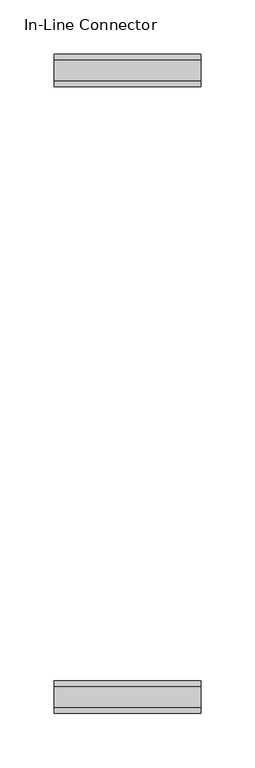
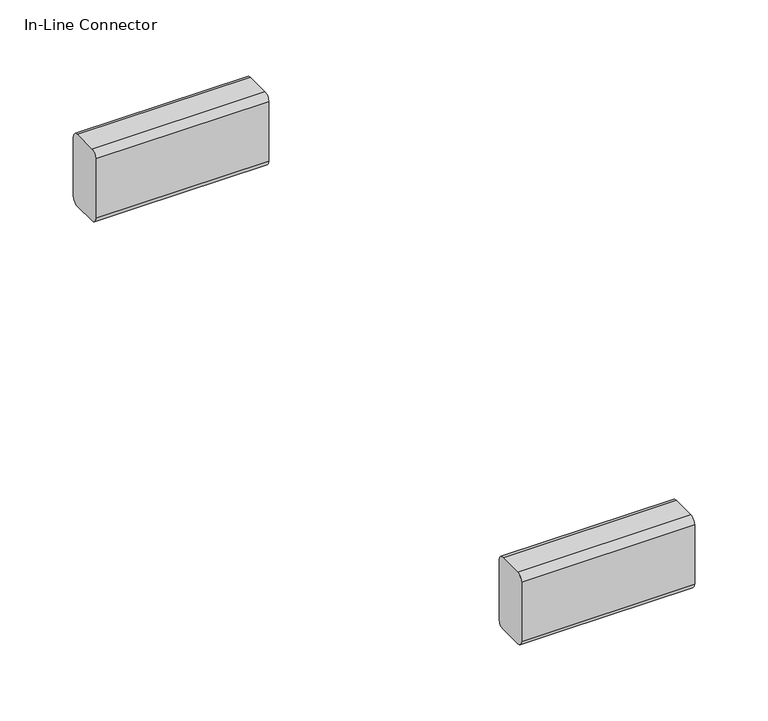
"""IFC4 building model written with IfcOpenShell, lengths in millimetres: furniture geometry, In-Line Connector."""

import ifcopenshell
import ifcopenshell.guid

model = None  # the IFC model being written
_history = None  # IfcOwnerHistory: only IFC2X3 demands one
_inside = {}  # id of a spatial element -> (the spatial element, [elements in it])
_under = {}  # id of a project, library or spatial element -> (it, [spatial elements below it])
_declared = {}  # id of a project -> (the project, [libraries it declares])
_typed = {}  # id of a type object -> (the type object, [elements of that type])
_made_of = {}  # id of a material, layer set ... -> (it, [elements and type objects made of it])


def new_model(schema):
    """Start an empty IFC model of exactly this schema.

    Asked for "IFC4X3", IfcOpenShell would pick the latest addendum, in which some entities
    have other attributes; the version numbers below select the first issue.
    IFC2X3 requires an IfcOwnerHistory on every rooted entity: one is made here for all.
    """
    global model, _history
    if schema == "IFC4X3":
        model = ifcopenshell.file(schema_version=(4, 3, 0, 0))
    else:
        model = ifcopenshell.file(schema=schema)
    _inside.clear()
    _under.clear()
    _declared.clear()
    _typed.clear()
    _made_of.clear()
    _history = None
    if model.schema == "IFC2X3":
        org = make("IfcOrganization", Name="unknown")
        user = make(
            "IfcPersonAndOrganization",
            ThePerson=make("IfcPerson", FamilyName="unknown"),
            TheOrganization=org,
        )
        app = make(
            "IfcApplication",
            ApplicationDeveloper=org,
            Version="unknown",
            ApplicationFullName="unknown",
            ApplicationIdentifier="unknown",
        )
        _history = make(
            "IfcOwnerHistory",
            OwningUser=user,
            OwningApplication=app,
            ChangeAction="ADDED",
            CreationDate=0,
        )
    return model


def make(cls, **values):
    """One entity of the class cls with the attributes given. An attribute that is None is left unset."""
    return model.create_entity(
        cls, **{name: value for name, value in values.items() if value is not None}
    )


def rooted(cls, **values):
    """An entity with a GlobalId (a new one), such as an element, a storey or a relation."""
    return make(cls, GlobalId=ifcopenshell.guid.new(), OwnerHistory=_history, **values)


def si_unit(unit_type, name, prefix=None):
    """IfcSIUnit, for example si_unit("LENGTHUNIT", "METRE", prefix="MILLI")."""
    return make("IfcSIUnit", UnitType=unit_type, Prefix=prefix, Name=name)


def assignment(units):
    """IfcUnitAssignment: the units of a project."""
    return None if units is None else make("IfcUnitAssignment", Units=units)


def point(xyz):
    """IfcCartesianPoint."""
    return None if xyz is None else make("IfcCartesianPoint", Coordinates=xyz)


def direction(xyz):
    """IfcDirection."""
    return None if xyz is None else make("IfcDirection", DirectionRatios=xyz)


def frame(location, z_axis=None, x_axis=None):
    """IfcAxis2Placement3D, a coordinate frame: its origin and axes. An axis left out is left unset."""
    return make(
        "IfcAxis2Placement3D",
        Location=point(location),
        Axis=direction(z_axis),
        RefDirection=direction(x_axis),
    )


def frame_2d(location, x_axis=None):
    """IfcAxis2Placement2D, a coordinate frame in the plane: its origin and x axis."""
    return make(
        "IfcAxis2Placement2D", Location=point(location), RefDirection=direction(x_axis)
    )


def origin():
    """The frame at (0, 0, 0) with its axes left unset."""
    return frame((0.0, 0.0, 0.0))


def place(relative_to, where):
    """IfcLocalPlacement: puts the frame where relative to a parent placement (None: the world)."""
    return make(
        "IfcLocalPlacement", PlacementRelTo=relative_to, RelativePlacement=where
    )


def context(
    kind, dimensions, precision=None, world=None, true_north=None, identifier=None
):
    """IfcGeometricRepresentationContext, for example the 3D "Model" context."""
    return make(
        "IfcGeometricRepresentationContext",
        ContextIdentifier=identifier,
        ContextType=kind,
        CoordinateSpaceDimension=dimensions,
        Precision=precision,
        WorldCoordinateSystem=world,
        TrueNorth=true_north,
    )


def project(units=None, contexts=None):
    """IfcProject with its units and contexts."""
    return rooted(
        "IfcProject",
        Name="project",
        RepresentationContexts=contexts,
        UnitsInContext=assignment(units),
    )


def spatial(cls, under=None, at=None, **own):
    """A site, building, storey or space (cls), placed at a placement, below another one or the project."""
    s = rooted(cls, ObjectPlacement=at, **own)
    if under is not None:
        _under.setdefault(under.id(), (under, []))[1].append(s)
    return s


def polyline(points):
    """IfcPolyline through the points."""
    return make("IfcPolyline", Points=[point(p) for p in points])


def circle_curve(where, radius):
    """IfcCircle in the frame where."""
    return make("IfcCircle", Position=where, Radius=radius)


def trimmed(basis, trim1, trim2, sense, master):
    """IfcTrimmedCurve: the piece of a basis curve between two trims."""
    return make(
        "IfcTrimmedCurve",
        BasisCurve=basis,
        Trim1=trim1,
        Trim2=trim2,
        SenseAgreement=sense,
        MasterRepresentation=master,
    )


def segment(curve, same_sense, transition):
    """IfcCompositeCurveSegment."""
    return make(
        "IfcCompositeCurveSegment",
        Transition=transition,
        SameSense=same_sense,
        ParentCurve=curve,
    )


def composite_curve(segments, self_intersect=None):
    """IfcCompositeCurve: segments joined end to end."""
    return make("IfcCompositeCurve", Segments=segments, SelfIntersect=self_intersect)


def outline(outer, holes=None, kind="AREA"):
    """IfcArbitraryClosedProfileDef: a profile drawn as a closed curve; with holes, ...WithVoids."""
    if holes is None:
        return make("IfcArbitraryClosedProfileDef", ProfileType=kind, OuterCurve=outer)
    return make(
        "IfcArbitraryProfileDefWithVoids",
        ProfileType=kind,
        OuterCurve=outer,
        InnerCurves=holes,
    )


def extrude(swept, where, along, depth):
    """IfcExtrudedAreaSolid: the profile swept, set in the frame where, extruded along a direction by depth."""
    return make(
        "IfcExtrudedAreaSolid",
        SweptArea=swept,
        Position=where,
        ExtrudedDirection=direction(along),
        Depth=depth,
    )


def shape(context_of_items, identifier, shape_type, items):
    """IfcShapeRepresentation: the items that make up one representation, for example the "Body"."""
    return make(
        "IfcShapeRepresentation",
        ContextOfItems=context_of_items,
        RepresentationIdentifier=identifier,
        RepresentationType=shape_type,
        Items=items,
    )


def source(mapping_origin, context_of_items, identifier, shape_type, items):
    """IfcRepresentationMap: a shape defined once, which mapped items show again and again."""
    return make(
        "IfcRepresentationMap",
        MappingOrigin=mapping_origin,
        MappedRepresentation=shape(context_of_items, identifier, shape_type, items),
    )


def transform(
    local_origin,
    x_axis=None,
    y_axis=None,
    z_axis=None,
    scale=None,
    scale2=None,
    scale3=None,
    uniform=True,
):
    """IfcCartesianTransformationOperator3D, or its non-uniform kind. x_axis, y_axis, z_axis: its Axis1, 2, 3."""
    if uniform:
        return make(
            "IfcCartesianTransformationOperator3D",
            Axis1=direction(x_axis),
            Axis2=direction(y_axis),
            LocalOrigin=point(local_origin),
            Scale=scale,
            Axis3=direction(z_axis),
        )
    return make(
        "IfcCartesianTransformationOperator3DnonUniform",
        Axis1=direction(x_axis),
        Axis2=direction(y_axis),
        LocalOrigin=point(local_origin),
        Scale=scale,
        Axis3=direction(z_axis),
        Scale2=scale2,
        Scale3=scale3,
    )


def mapped(mapping_source, mapping_target):
    """IfcMappedItem: shows the shape of a source again, moved by a transform."""
    return make(
        "IfcMappedItem", MappingSource=mapping_source, MappingTarget=mapping_target
    )


def made_of(thing, what):
    """Note that an element or type object is made of a material, layer set ...; save() writes the relation."""
    if what is not None:
        _made_of.setdefault(what.id(), (what, []))[1].append(thing)
    return thing


def element(
    cls,
    number,
    at=None,
    inside=None,
    cuts=None,
    type_object=None,
    material=None,
    context=None,
    identifier="Body",
    shape_type=None,
    held_by="IfcProductDefinitionShape",
    body=None,
    shapes=None,
    **own,
):
    """One element of the class cls, such as IfcWall. Its Tag is "e" and its number.

    at: its placement. inside: the storey or other place that contains it. cuts: it is an
    opening in that element (IfcRelVoidsElement). A single representation is given by context,
    identifier, shape_type and body (its items); several are given by shapes. held_by: the class
    of the entity that holds the representations. save() writes the other relations.
    """
    e = rooted(cls, Tag="e%d" % number, ObjectPlacement=at, **own)
    if body is not None:
        shapes = [shape(context, identifier, shape_type, body)]
    if shapes is not None:
        e.Representation = make(held_by, Representations=shapes)
    if inside is not None:
        _inside.setdefault(inside.id(), (inside, []))[1].append(e)
    if cuts is not None:
        rooted(
            "IfcRelVoidsElement", RelatingBuildingElement=cuts, RelatedOpeningElement=e
        )
    if type_object is not None:
        _typed.setdefault(type_object.id(), (type_object, []))[1].append(e)
    return made_of(e, material)


def aggregate(whole, parts):
    """IfcRelAggregates: a whole, such as a stair, and the parts it consists of."""
    return rooted("IfcRelAggregates", RelatingObject=whole, RelatedObjects=parts)


def save(model, path):
    """Write the relations noted so far, then the file.

    IfcRelAggregates (storeys below a building ...), IfcRelContainedInSpatialStructure (elements
    in a storey), IfcRelDefinesByType, IfcRelAssociatesMaterial and IfcRelDeclares: one each for
    every whole, place, type object, material and project.
    """
    for whole, parts in _under.values():
        aggregate(whole, parts)
    for where, things in _inside.values():
        rooted(
            "IfcRelContainedInSpatialStructure",
            RelatedElements=things,
            RelatingStructure=where,
        )
    for kind, things in _typed.values():
        rooted("IfcRelDefinesByType", RelatedObjects=things, RelatingType=kind)
    for what, things in _made_of.values():
        rooted("IfcRelAssociatesMaterial", RelatedObjects=things, RelatingMaterial=what)
    for by, libraries in _declared.values():
        rooted("IfcRelDeclares", RelatingContext=by, RelatedDefinitions=libraries)
    model.write(path)


def in_line_connector_66479919(model_context):
    return source(origin(), model_context, "Body", "SweptSolid", [
        extrude(outline(composite_curve([segment(trimmed(circle_curve(frame_2d((-108.865872, 125.0107271)), 5.08), [point((-108.865872, 130.0907271))], [point((-103.785872, 125.0107271))], False, "CARTESIAN"), True, "CONTINUOUS"), segment(polyline([(-103.785872, 125.0107271), (-103.785872, 75.6579413)]), True, "CONTINUOUS"), segment(trimmed(circle_curve(frame_2d((-108.865872, 75.6579413)), 5.08), [point((-103.785872, 75.6579413))], [point((-108.865872, 70.5779413))], False, "CARTESIAN"), True, "CONTINUOUS"), segment(polyline([(-108.865872, 70.5779413), (-129.0980339, 70.5779413)]), True, "CONTINUOUS"), segment(trimmed(circle_curve(frame_2d((-129.0980339, 75.5475648)), 4.9696236), [point((-129.0980339, 70.5779413))], [point((-134.0676575, 75.5475648))], False, "CARTESIAN"), True, "CONTINUOUS"), segment(polyline([(-134.0676575, 75.5475648), (-134.0676575, 125.0107271)]), True, "CONTINUOUS"), segment(trimmed(circle_curve(frame_2d((-128.9876575, 125.0107271)), 5.08), [point((-134.0676575, 125.0107271))], [point((-128.9876575, 130.0907271))], False, "CARTESIAN"), True, "CONTINUOUS"), segment(polyline([(-128.9876575, 130.0907271), (-108.865872, 130.0907271)]), True, "CONTINUOUS")], self_intersect=False)), frame((0.0, 0.0, 0.0), z_axis=(1.0, 0.0, 0.0), x_axis=(0.0, 1.0, 0.0)), (0.0, 0.0, 1.0), 135.9853557),
        extrude(outline(composite_curve([segment(trimmed(circle_curve(frame_2d((-688.6735965, 125.0107271)), 5.08), [point((-688.6735965, 130.0907271))], [point((-683.5935965, 125.0107271))], False, "CARTESIAN"), True, "CONTINUOUS"), segment(polyline([(-683.5935965, 125.0107271), (-683.5935965, 75.6579413)]), True, "CONTINUOUS"), segment(trimmed(circle_curve(frame_2d((-688.6735965, 75.6579413)), 5.08), [point((-683.5935965, 75.6579413))], [point((-688.6735965, 70.5779413))], False, "CARTESIAN"), True, "CONTINUOUS"), segment(polyline([(-688.6735965, 70.5779413), (-708.9057584, 70.5779413)]), True, "CONTINUOUS"), segment(trimmed(circle_curve(frame_2d((-708.9057584, 75.5475648)), 4.9696236), [point((-708.9057584, 70.5779413))], [point((-713.875382, 75.5475648))], False, "CARTESIAN"), True, "CONTINUOUS"), segment(polyline([(-713.875382, 75.5475648), (-713.875382, 125.0107271)]), True, "CONTINUOUS"), segment(trimmed(circle_curve(frame_2d((-708.795382, 125.0107271)), 5.08), [point((-713.875382, 125.0107271))], [point((-708.795382, 130.0907271))], False, "CARTESIAN"), True, "CONTINUOUS"), segment(polyline([(-708.795382, 130.0907271), (-688.6735965, 130.0907271)]), True, "CONTINUOUS")], self_intersect=False)), frame((0.0, 0.0, 0.0), z_axis=(1.0, 0.0, 0.0), x_axis=(0.0, 1.0, 0.0)), (0.0, 0.0, 1.0), 135.9853557),
    ])


if __name__ == "__main__":
    model = new_model("IFC4")
    model_context = context("Model", 3, world=origin())
    ifc_project = project(units=[si_unit("LENGTHUNIT", "METRE", prefix="MILLI")], contexts=[model_context])
    site = spatial("IfcSite", under=ifc_project)
    building = spatial("IfcBuilding", under=site)
    placement = place(None, origin())
    in_line_connector_shape = in_line_connector_66479919(model_context)
    element("IfcFurniture", 1, ObjectType="In-Line Connector", at=placement, inside=building, context=model_context, shape_type="MappedRepresentation", body=[
        mapped(in_line_connector_shape, transform((0.0, 0.0, 0.0), x_axis=(1.0, 0.0, 0.0), y_axis=(0.0, 1.0, 0.0), z_axis=(0.0, 0.0, 1.0))),
    ])
    save(model, "model.ifc")
